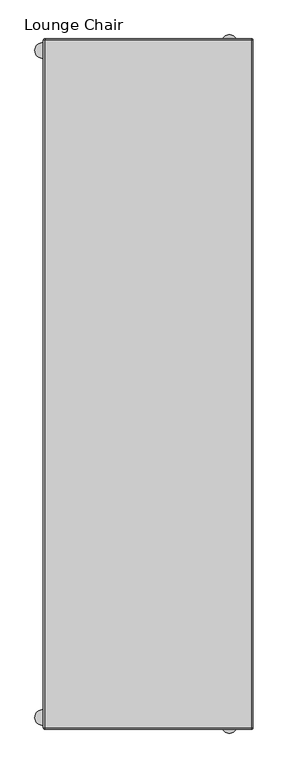
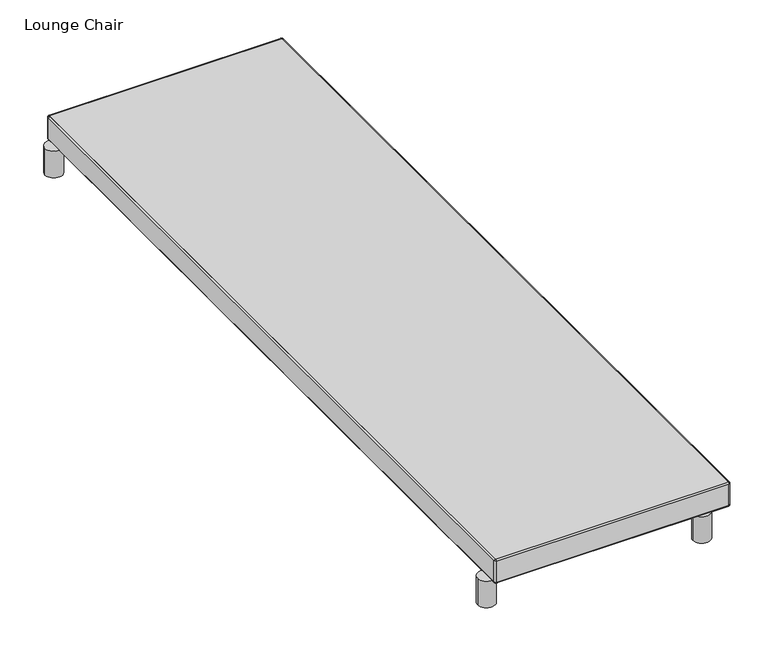
"""IFC4 building model written with IfcOpenShell, lengths in millimetres: furniture geometry, Lounge Chair."""

from ifc_helpers import new_model, si_unit, point, frame, frame_2d, origin, origin_with_axes, place, context, project, spatial, polyline, circle_curve, ellipse_curve, trimmed, segment, composite_curve, outline, extrude, source, transform, mapped, element, save
from ifc_brep_helpers import plane_surface, cylinder_surface, revolved_surface, advanced_brep


def lounge_chair_2a098685(model_context):
    return source(origin(), model_context, "Body", "SolidModel", [
        advanced_brep(
        [(381.6350121, 1120.6249637, 145.9935673), (381.6350121, -1120.6249637, 145.9935673), (381.6350121, -1120.6249637, 81.2235613), (381.6350121, 1120.6249637, 81.2235613), (376.5550121, -1125.7049637, 145.9935673), (376.5550121, -1125.7049637, 81.2235613), (-297.1800061, -1125.7049637, 145.9935673), (-297.1800061, -1125.7049637, 81.2235613), (-302.2600061, -1120.6249637, 145.9935673), (-302.2600061, -1120.6249637, 81.2235613), (-302.2600061, 1120.6249637, 145.9935673), (-302.2600061, 1120.6249637, 81.2235613), (-297.1800061, 1125.7049637, 145.9935673), (-297.1800061, 1125.7049637, 81.2235613), (376.5550121, 1125.7049637, 145.9935673), (376.5550121, 1125.7049637, 81.2235613), (376.5550121, 1125.0699879, 145.9935673), (-297.1800061, 1125.0699879, 145.9935673), (-297.1800061, 1125.0699879, 81.2235613), (376.5550121, 1125.0699879, 81.2235613), (-298.4500061, 1123.7999879, 145.9935673), (-298.4500061, 1123.7999879, 81.2235613), (-298.4500061, 1120.6249637, 145.9935673), (-298.4500061, 1120.6249637, 149.8035673), (-298.4500061, -1120.6249637, 149.8035673), (-298.4500061, -1120.6249637, 145.9935673), (-298.4500061, -1120.6249637, 81.2235613), (-298.4500061, -1120.6249637, 77.4135613), (-298.4500061, 1120.6249637, 77.4135613), (-298.4500061, 1120.6249637, 81.2235613), (-297.1800061, -1121.8949637, 145.9935673), (-297.1800061, -1121.8949637, 81.2235613), (-297.1800061, -1121.8949637, 149.8035673), (376.5550121, -1121.8949637, 149.8035673), (376.5550121, -1121.8949637, 145.9935673), (376.5550121, -1121.8949637, 81.2235613), (376.5550121, -1121.8949637, 77.4135613), (-297.1800061, -1121.8949637, 77.4135613), (377.8250121, -1120.6249637, 145.9935673), (377.8250121, -1120.6249637, 81.2235613), (377.8250121, -1120.6249637, 149.8035673), (377.8250121, 1120.6249637, 149.8035673), (377.8250121, 1120.6249637, 145.9935673), (377.8250121, 1123.7999879, 145.9935673), (377.8250121, 1123.7999879, 81.2235613), (377.8250121, 1120.6249637, 81.2235613), (377.8250121, 1120.6249637, 77.4135613), (377.8250121, -1120.6249637, 77.4135613), (-297.1800061, 1121.8949637, 149.8035673), (-297.1800061, 1121.8949637, 145.9935673), (-297.1800061, 1121.8949637, 77.4135613), (-297.1800061, 1121.8949637, 81.2235613), (376.5550121, 1121.8949637, 149.8035673), (376.5550121, 1121.8949637, 145.9935673), (376.5550121, 1121.8949637, 77.4135613), (376.5550121, 1121.8949637, 81.2235613)],
        [
            (0, 1),
            (1, 2),
            (2, 3),
            (3, 0),
            (1, 4, circle_curve(frame((376.5550121, -1120.6249637, 145.9935673), z_axis=(0.0, 0.0, -1.0), x_axis=(0.0, 1.0, 0.0)), 5.08)),
            (4, 5),
            (5, 2, circle_curve(frame((376.5550121, -1120.6249637, 81.2235613), z_axis=(0.0, 0.0, 1.0), x_axis=(0.0, 1.0, 0.0)), 5.08)),
            (4, 6),
            (6, 7),
            (7, 5),
            (6, 8, circle_curve(frame((-297.1800061, -1120.6249637, 145.9935673), z_axis=(0.0, 0.0, -1.0), x_axis=(0.0, 1.0, 0.0)), 5.08)),
            (8, 9),
            (9, 7, circle_curve(frame((-297.1800061, -1120.6249637, 81.2235613), z_axis=(0.0, 0.0, 1.0), x_axis=(0.0, 1.0, 0.0)), 5.08)),
            (8, 10),
            (10, 11),
            (11, 9),
            (10, 12, circle_curve(frame((-297.1800061, 1120.6249637, 145.9935673), z_axis=(0.0, 0.0, -1.0), x_axis=(0.0, 1.0, 0.0)), 5.08)),
            (12, 13),
            (13, 11, circle_curve(frame((-297.1800061, 1120.6249637, 81.2235613), z_axis=(0.0, 0.0, 1.0), x_axis=(0.0, 1.0, 0.0)), 5.08)),
            (12, 14),
            (14, 15),
            (15, 13),
            (3, 15, circle_curve(frame((376.5550121, 1120.6249637, 81.2235613), z_axis=(0.0, 0.0, 1.0), x_axis=(0.0, 1.0, 0.0)), 5.08)),
            (14, 0, circle_curve(frame((376.5550121, 1120.6249637, 145.9935673), z_axis=(0.0, 0.0, -1.0), x_axis=(0.0, 1.0, 0.0)), 5.08)),
            (16, 17),
            (17, 18),
            (18, 19),
            (19, 16),
            (17, 20, circle_curve(frame((-297.1800061, 1123.7999879, 145.9935673), z_axis=(0.0, 0.0, 1.0), x_axis=(0.0, 1.0, 0.0)), 1.27)),
            (20, 21),
            (21, 18, circle_curve(frame((-297.1800061, 1123.7999879, 81.2235613), z_axis=(0.0, 0.0, -1.0), x_axis=(0.0, 1.0, 0.0)), 1.27)),
            (20, 22),
            (22, 23),
            (23, 24),
            (24, 25),
            (25, 26),
            (26, 27),
            (27, 28),
            (28, 29),
            (29, 21),
            (25, 30, circle_curve(frame((-297.1800061, -1120.6249637, 145.9935673), z_axis=(0.0, 0.0, 1.0), x_axis=(0.0, 1.0, 0.0)), 1.27)),
            (30, 31),
            (31, 26, circle_curve(frame((-297.1800061, -1120.6249637, 81.2235613), z_axis=(0.0, 0.0, -1.0), x_axis=(0.0, 1.0, 0.0)), 1.27)),
            (30, 32),
            (32, 33),
            (33, 34),
            (34, 35),
            (35, 36),
            (36, 37),
            (37, 31),
            (34, 38, circle_curve(frame((376.5550121, -1120.6249637, 145.9935673), z_axis=(0.0, 0.0, 1.0), x_axis=(0.0, 1.0, 0.0)), 1.27)),
            (38, 39),
            (39, 35, circle_curve(frame((376.5550121, -1120.6249637, 81.2235613), z_axis=(0.0, 0.0, -1.0), x_axis=(0.0, 1.0, 0.0)), 1.27)),
            (38, 40),
            (40, 41),
            (41, 42),
            (42, 43),
            (43, 44),
            (44, 45),
            (45, 46),
            (46, 47),
            (47, 39),
            (19, 44, circle_curve(frame((376.5550121, 1123.7999879, 81.2235613), z_axis=(0.0, 0.0, -1.0), x_axis=(0.0, 1.0, 0.0)), 1.27)),
            (43, 16, circle_curve(frame((376.5550121, 1123.7999879, 145.9935673), z_axis=(0.0, 0.0, 1.0), x_axis=(0.0, 1.0, 0.0)), 1.27)),
            (40, 1, circle_curve(frame((377.8250121, -1120.6249637, 145.9935673), z_axis=(0.0, 1.0, 0.0), x_axis=(-1.0, 0.0, 0.0)), 3.81)),
            (0, 41, circle_curve(frame((377.8250121, 1120.6249637, 145.9935673), z_axis=(0.0, -1.0, 0.0), x_axis=(-1.0, 0.0, 0.0)), 3.81)),
            (46, 3, circle_curve(frame((377.8250121, 1120.6249637, 81.2235613), z_axis=(0.0, -1.0, 0.0), x_axis=(-1.0, 0.0, 0.0)), 3.81)),
            (2, 47, circle_curve(frame((377.8250121, -1120.6249637, 81.2235613), z_axis=(0.0, 1.0, 0.0), x_axis=(-1.0, 0.0, 0.0)), 3.81)),
            (32, 6, circle_curve(frame((-297.1800061, -1121.8949637, 145.9935673), z_axis=(1.0, 0.0, 0.0), x_axis=(0.0, 1.0, 0.0)), 3.81)),
            (4, 33, circle_curve(frame((376.5550121, -1121.8949637, 145.9935673), z_axis=(-1.0, 0.0, 0.0), x_axis=(0.0, 1.0, 0.0)), 3.81)),
            (36, 5, circle_curve(frame((376.5550121, -1121.8949637, 81.2235613), z_axis=(-1.0, 0.0, 0.0), x_axis=(0.0, 1.0, 0.0)), 3.81)),
            (7, 37, circle_curve(frame((-297.1800061, -1121.8949637, 81.2235613), z_axis=(1.0, 0.0, 0.0), x_axis=(0.0, 1.0, 0.0)), 3.81)),
            (23, 10, circle_curve(frame((-298.4500061, 1120.6249637, 145.9935673), z_axis=(0.0, -1.0, 0.0), x_axis=(1.0, 0.0, 0.0)), 3.81)),
            (8, 24, circle_curve(frame((-298.4500061, -1120.6249637, 145.9935673), z_axis=(0.0, 1.0, 0.0), x_axis=(1.0, 0.0, 0.0)), 3.81)),
            (27, 9, circle_curve(frame((-298.4500061, -1120.6249637, 81.2235613), z_axis=(0.0, 1.0, 0.0), x_axis=(1.0, 0.0, 0.0)), 3.81)),
            (11, 28, circle_curve(frame((-298.4500061, 1120.6249637, 81.2235613), z_axis=(0.0, -1.0, 0.0), x_axis=(1.0, 0.0, 0.0)), 3.81)),
            (40, 33, circle_curve(frame((376.5550121, -1120.6249637, 149.8035673), z_axis=(0.0, 0.0, -1.0), x_axis=(1.0, 0.0, 0.0)), 1.27)),
            (47, 36, circle_curve(frame((376.5550121, -1120.6249637, 77.4135613), z_axis=(0.0, 0.0, -1.0), x_axis=(1.0, 0.0, 0.0)), 1.27)),
            (32, 24, circle_curve(frame((-297.1800061, -1120.6249637, 149.8035673), z_axis=(0.0, 0.0, -1.0), x_axis=(0.0, -1.0, 0.0)), 1.27)),
            (37, 27, circle_curve(frame((-297.1800061, -1120.6249637, 77.4135613), z_axis=(0.0, 0.0, -1.0), x_axis=(0.0, -1.0, 0.0)), 1.27)),
            (23, 48, circle_curve(frame((-297.1800061, 1120.6249637, 149.8035673), z_axis=(0.0, 0.0, -1.0), x_axis=(-1.0, 0.0, 0.0)), 1.27)),
            (48, 12, circle_curve(frame((-297.1800061, 1121.8949637, 145.9935673), z_axis=(-1.0, 0.0, 0.0), x_axis=(0.0, -1.0, 0.0)), 3.81)),
            (22, 49, circle_curve(frame((-297.1800061, 1120.6249637, 145.9935673), z_axis=(0.0, 0.0, -1.0), x_axis=(-1.0, 0.0, 0.0)), 1.27)),
            (49, 48),
            (28, 50, circle_curve(frame((-297.1800061, 1120.6249637, 77.4135613), z_axis=(0.0, 0.0, -1.0), x_axis=(-1.0, 0.0, 0.0)), 1.27)),
            (50, 51),
            (51, 29, circle_curve(frame((-297.1800061, 1120.6249637, 81.2235613), z_axis=(0.0, 0.0, 1.0), x_axis=(-1.0, 0.0, 0.0)), 1.27)),
            (13, 50, circle_curve(frame((-297.1800061, 1121.8949637, 81.2235613), z_axis=(-1.0, 0.0, 0.0), x_axis=(0.0, -1.0, 0.0)), 3.81)),
            (48, 52),
            (52, 14, circle_curve(frame((376.5550121, 1121.8949637, 145.9935673), z_axis=(-1.0, 0.0, 0.0), x_axis=(0.0, -1.0, 0.0)), 3.81)),
            (49, 53),
            (53, 52),
            (50, 54),
            (54, 55),
            (55, 51),
            (15, 54, circle_curve(frame((376.5550121, 1121.8949637, 81.2235613), z_axis=(-1.0, 0.0, 0.0), x_axis=(0.0, -1.0, 0.0)), 3.81)),
            (42, 53, circle_curve(frame((376.5550121, 1120.6249637, 145.9935673), z_axis=(0.0, 0.0, 1.0), x_axis=(0.0, 1.0, 0.0)), 1.27)),
            (52, 41, circle_curve(frame((376.5550121, 1120.6249637, 149.8035673), z_axis=(0.0, 0.0, -1.0), x_axis=(0.0, 1.0, 0.0)), 1.27)),
            (45, 55, circle_curve(frame((376.5550121, 1120.6249637, 81.2235613), z_axis=(0.0, 0.0, 1.0), x_axis=(0.0, 1.0, 0.0)), 1.27)),
            (54, 46, circle_curve(frame((376.5550121, 1120.6249637, 77.4135613), z_axis=(0.0, 0.0, -1.0), x_axis=(0.0, 1.0, 0.0)), 1.27)),
        ],
        [
            plane_surface(frame((381.6350121, 1120.6249637, 145.9935673), z_axis=(1.0, 0.0, 0.0), x_axis=(0.0, 0.0, -1.0))),
            cylinder_surface(frame((376.5550121, -1120.6249637, 81.2235613), z_axis=(0.0, 0.0, 1.0), x_axis=(0.0, 1.0, 0.0)), 5.08),
            plane_surface(frame((376.5550121, -1125.7049637, 145.9935673), z_axis=(0.0, -1.0, 0.0), x_axis=(0.0, 0.0, -1.0))),
            cylinder_surface(frame((-297.1800061, -1120.6249637, 81.2235613), z_axis=(0.0, 0.0, 1.0), x_axis=(0.0, 1.0, 0.0)), 5.08),
            plane_surface(frame((-302.2600061, -1120.6249637, 145.9935673), z_axis=(-1.0, 0.0, 0.0), x_axis=(0.0, 0.0, -1.0))),
            cylinder_surface(frame((-297.1800061, 1120.6249637, 81.2235613), z_axis=(0.0, 0.0, 1.0), x_axis=(0.0, 1.0, 0.0)), 5.08),
            plane_surface(frame((-297.1800061, 1125.7049637, 145.9935673), z_axis=(0.0, 1.0, 0.0), x_axis=(0.0, 0.0, -1.0))),
            cylinder_surface(frame((376.5550121, 1120.6249637, 81.2235613), z_axis=(0.0, 0.0, 1.0), x_axis=(0.0, 1.0, 0.0)), 5.08),
            plane_surface(frame((376.5550121, 1125.0699879, 145.9935673), z_axis=(0.0, -1.0, 0.0), x_axis=(0.0, 0.0, -1.0))),
            revolved_surface(polyline([(-297.1800061, 1125.0699879, 81.2235613), (-297.1800061, 1125.0699879, 145.9935673)]), (-297.1800061, 1123.7999879, 81.2235613), (0.0, 0.0, -1.0)),
            plane_surface(frame((-298.4500061, 1123.7999879, 145.9935673), z_axis=(1.0, 0.0, 0.0), x_axis=(0.0, 0.0, -1.0))),
            revolved_surface(polyline([(-297.1800061, -1119.3549637, 81.2235613), (-297.1800061, -1119.3549637, 145.9935673)]), (-297.1800061, -1120.6249637, 81.2235613), (0.0, 0.0, -1.0)),
            plane_surface(frame((-297.1800061, -1121.8949637, 145.9935673), z_axis=(0.0, 1.0, 0.0), x_axis=(0.0, 0.0, -1.0))),
            revolved_surface(polyline([(376.5550121, -1119.3549637, 81.2235613), (376.5550121, -1119.3549637, 145.9935673)]), (376.5550121, -1120.6249637, 81.2235613), (0.0, 0.0, -1.0)),
            plane_surface(frame((377.8250121, -1120.6249637, 145.9935673), z_axis=(-1.0, 0.0, 0.0), x_axis=(0.0, 0.0, -1.0))),
            revolved_surface(polyline([(376.5550121, 1125.0699879, 81.2235613), (376.5550121, 1125.0699879, 145.9935673)]), (376.5550121, 1123.7999879, 81.2235613), (0.0, 0.0, -1.0)),
            cylinder_surface(frame((377.8250121, 1120.6249637, 145.9935673), z_axis=(0.0, 1.0, 0.0), x_axis=(-1.0, 0.0, 0.0)), 3.81),
            cylinder_surface(frame((377.8250121, 1120.6249637, 81.2235613), z_axis=(0.0, 1.0, 0.0), x_axis=(-1.0, 0.0, 0.0)), 3.81),
            cylinder_surface(frame((376.5550121, -1121.8949637, 145.9935673), z_axis=(1.0, 0.0, 0.0), x_axis=(0.0, 1.0, 0.0)), 3.81),
            cylinder_surface(frame((376.5550121, -1121.8949637, 81.2235613), z_axis=(1.0, 0.0, 0.0), x_axis=(0.0, 1.0, 0.0)), 3.81),
            cylinder_surface(frame((-298.4500061, -1120.6249637, 145.9935673), z_axis=(0.0, -1.0, 0.0), x_axis=(1.0, 0.0, 0.0)), 3.81),
            cylinder_surface(frame((-298.4500061, -1120.6249637, 81.2235613), z_axis=(0.0, -1.0, 0.0), x_axis=(1.0, 0.0, 0.0)), 3.81),
            revolved_surface(trimmed(ellipse_curve(frame((377.8250121, -1120.6249637, 145.9935673), z_axis=(0.0, -1.0, 0.0), x_axis=(-1.0, 0.0, 0.0)), 3.81, 3.81), [point((381.6350121, -1120.6249637, 145.9935673))], [point((377.8250121, -1120.6249637, 149.8035673))], True, "CARTESIAN"), (376.5550121, -1120.6249637, 148.5335673), (0.0, 0.0, 1.0)),
            revolved_surface(polyline([(377.8250121, -1120.6249637, 149.8035673), (377.8250121, -1120.6249637, 145.9935673)]), (376.5550121, -1120.6249637, 148.5335673), (0.0, 0.0, 1.0)),
            revolved_surface(polyline([(377.8250121, -1120.6249637, 81.2235613), (377.8250121, -1120.6249637, 77.4135613)]), (376.5550121, -1120.6249637, 148.5335673), (0.0, 0.0, 1.0)),
            revolved_surface(trimmed(ellipse_curve(frame((377.8250121, -1120.6249637, 81.2235613), z_axis=(0.0, -1.0, 0.0), x_axis=(-1.0, 0.0, 0.0)), 3.81, 3.81), [point((377.8250121, -1120.6249637, 77.4135613))], [point((381.6350121, -1120.6249637, 81.2235613))], True, "CARTESIAN"), (376.5550121, -1120.6249637, 148.5335673), (0.0, 0.0, 1.0)),
            revolved_surface(trimmed(ellipse_curve(frame((-297.1800061, -1121.8949637, 145.9935673), z_axis=(-1.0, 0.0, 0.0), x_axis=(0.0, 1.0, 0.0)), 3.81, 3.81), [point((-297.1800061, -1125.7049637, 145.9935673))], [point((-297.1800061, -1121.8949637, 149.8035673))], True, "CARTESIAN"), (-297.1800061, -1120.6249637, 148.5335673), (0.0, 0.0, 1.0)),
            revolved_surface(polyline([(-297.1800061, -1121.8949637, 149.8035673), (-297.1800061, -1121.8949637, 145.9935673)]), (-297.1800061, -1120.6249637, 148.5335673), (0.0, 0.0, 1.0)),
            revolved_surface(polyline([(-297.1800061, -1121.8949637, 81.2235613), (-297.1800061, -1121.8949637, 77.4135613)]), (-297.1800061, -1120.6249637, 148.5335673), (0.0, 0.0, 1.0)),
            revolved_surface(trimmed(ellipse_curve(frame((-297.1800061, -1121.8949637, 81.2235613), z_axis=(-1.0, 0.0, 0.0), x_axis=(0.0, 1.0, 0.0)), 3.81, 3.81), [point((-297.1800061, -1121.8949637, 77.4135613))], [point((-297.1800061, -1125.7049637, 81.2235613))], True, "CARTESIAN"), (-297.1800061, -1120.6249637, 148.5335673), (0.0, 0.0, 1.0)),
            revolved_surface(trimmed(ellipse_curve(frame((-298.4500061, 1120.6249637, 145.9935673), z_axis=(0.0, 1.0, 0.0), x_axis=(1.0, 0.0, 0.0)), 3.81, 3.81), [point((-302.2600061, 1120.6249637, 145.9935673))], [point((-298.4500061, 1120.6249637, 149.8035673))], True, "CARTESIAN"), (-297.1800061, 1120.6249637, 148.5335673), (0.0, 0.0, 1.0)),
            revolved_surface(polyline([(-298.4500061, 1120.6249637, 149.8035673), (-298.4500061, 1120.6249637, 145.9935673)]), (-297.1800061, 1120.6249637, 148.5335673), (0.0, 0.0, 1.0)),
            revolved_surface(polyline([(-298.4500061, 1120.6249637, 81.2235613), (-298.4500061, 1120.6249637, 77.4135613)]), (-297.1800061, 1120.6249637, 148.5335673), (0.0, 0.0, 1.0)),
            revolved_surface(trimmed(ellipse_curve(frame((-298.4500061, 1120.6249637, 81.2235613), z_axis=(0.0, 1.0, 0.0), x_axis=(1.0, 0.0, 0.0)), 3.81, 3.81), [point((-298.4500061, 1120.6249637, 77.4135613))], [point((-302.2600061, 1120.6249637, 81.2235613))], True, "CARTESIAN"), (-297.1800061, 1120.6249637, 148.5335673), (0.0, 0.0, 1.0)),
            cylinder_surface(frame((-297.1800061, 1121.8949637, 145.9935673), z_axis=(-1.0, 0.0, 0.0), x_axis=(0.0, -1.0, 0.0)), 3.81),
            plane_surface(frame((-297.1800061, 1121.8949637, 149.8035673), z_axis=(0.0, -1.0, 0.0), x_axis=(1.0, 0.0, 0.0))),
            plane_surface(frame((-297.1800061, 1121.8949637, 81.2235613), z_axis=(0.0, -1.0, 0.0), x_axis=(1.0, 0.0, 0.0))),
            cylinder_surface(frame((-297.1800061, 1121.8949637, 81.2235613), z_axis=(-1.0, 0.0, 0.0), x_axis=(0.0, -1.0, 0.0)), 3.81),
            plane_surface(frame((376.5550121, 1120.6249637, 145.9935673), z_axis=(0.0, 0.0, -1.0), x_axis=(0.0, 1.0, 0.0))),
            revolved_surface(trimmed(ellipse_curve(frame((376.5550121, 1121.8949637, 145.9935673), z_axis=(1.0, 0.0, 0.0), x_axis=(0.0, -1.0, 0.0)), 3.81, 3.81), [point((376.5550121, 1125.7049637, 145.9935673))], [point((376.5550121, 1121.8949637, 149.8035673))], True, "CARTESIAN"), (376.5550121, 1120.6249637, 148.5335673), (0.0, 0.0, 1.0)),
            revolved_surface(polyline([(376.5550121, 1121.8949637, 149.8035673), (376.5550121, 1121.8949637, 145.9935673)]), (376.5550121, 1120.6249637, 148.5335673), (0.0, 0.0, 1.0)),
            revolved_surface(polyline([(376.5550121, 1121.8949637, 81.2235613), (376.5550121, 1121.8949637, 77.4135613)]), (376.5550121, 1120.6249637, 148.5335673), (0.0, 0.0, 1.0)),
            revolved_surface(trimmed(ellipse_curve(frame((376.5550121, 1121.8949637, 81.2235613), z_axis=(1.0, 0.0, 0.0), x_axis=(0.0, -1.0, 0.0)), 3.81, 3.81), [point((376.5550121, 1121.8949637, 77.4135613))], [point((376.5550121, 1125.7049637, 81.2235613))], True, "CARTESIAN"), (376.5550121, 1120.6249637, 148.5335673), (0.0, 0.0, 1.0)),
            plane_surface(frame((376.5550121, 1120.6249637, 81.2235613), z_axis=(0.0, 0.0, 1.0), x_axis=(0.0, 1.0, 0.0))),
        ],
        [
            (0, [[1, 2, 3, 4]]),
            (1, [[5, 6, 7, -2]]),
            (2, [[8, 9, 10, -6]]),
            (3, [[11, 12, 13, -9]]),
            (4, [[14, 15, 16, -12]]),
            (5, [[17, 18, 19, -15]]),
            (6, [[20, 21, 22, -18]]),
            (7, [[23, -21, 24, -4]]),
            (8, [[25, 26, 27, 28]]),
            (9, [[29, 30, 31, -26]]),
            (10, [[32, 33, 34, 35, 36, 37, 38, 39, 40, -30]]),
            (11, [[41, 42, 43, -36]]),
            (12, [[44, 45, 46, 47, 48, 49, 50, -42]]),
            (13, [[51, 52, 53, -47]]),
            (14, [[54, 55, 56, 57, 58, 59, 60, 61, 62, -52]]),
            (15, [[63, -58, 64, -28]]),
            (16, [[-55, 65, -1, 66]]),
            (17, [[67, -3, 68, -61]]),
            (18, [[-45, 69, -8, 70]]),
            (19, [[71, -10, 72, -49]]),
            (20, [[-34, 73, -14, 74]]),
            (21, [[75, -16, 76, -38]]),
            (22, [[77, -70, -5, -65]]),
            (23, [[-51, -46, -77, -54]]),
            (24, [[78, -48, -53, -62]]),
            (25, [[-7, -71, -78, -68]]),
            (26, [[79, -74, -11, -69]]),
            (27, [[-41, -35, -79, -44]]),
            (28, [[80, -37, -43, -50]]),
            (29, [[-13, -75, -80, -72]]),
            (30, [[81, 82, -17, -73]]),
            (31, [[83, 84, -81, -33]]),
            (32, [[85, 86, 87, -39]]),
            (33, [[-19, 88, -85, -76]]),
            (34, [[89, 90, -20, -82]]),
            (35, [[91, 92, -89, -84]]),
            (36, [[93, 94, 95, -86]]),
            (37, [[-22, 96, -93, -88]]),
            (38, [[-32, -29, -25, -64, -57, 97, -91, -83]]),
            (39, [[-24, -90, 98, -66]]),
            (40, [[-98, -92, -97, -56]]),
            (41, [[99, -94, 100, -60]]),
            (42, [[-100, -96, -23, -67]]),
            (43, [[-95, -99, -59, -63, -27, -31, -40, -87]]),
        ],
    ),
        extrude(outline(composite_curve([segment(trimmed(circle_curve(frame_2d((-297.1800061, -1120.6249637)), 1.27), [point((-297.1800061, -1121.8949637))], [point((-298.4500061, -1120.6249637))], False, "CARTESIAN"), True, "CONTINUOUS"), segment(polyline([(-298.4500061, -1120.6249637), (-298.4500061, 1120.6249637)]), True, "CONTINUOUS"), segment(trimmed(circle_curve(frame_2d((-297.1800061, 1120.6249637)), 1.27), [point((-298.4500061, 1120.6249637))], [point((-297.1800061, 1121.8949637))], False, "CARTESIAN"), True, "CONTINUOUS"), segment(polyline([(-297.1800061, 1121.8949637), (376.5550121, 1121.8949637)]), True, "CONTINUOUS"), segment(trimmed(circle_curve(frame_2d((376.5550121, 1120.6249637)), 1.27), [point((376.5550121, 1121.8949637))], [point((377.8250121, 1120.6249637))], False, "CARTESIAN"), True, "CONTINUOUS"), segment(polyline([(377.8250121, 1120.6249637), (377.8250121, -1120.6249637)]), True, "CONTINUOUS"), segment(trimmed(circle_curve(frame_2d((376.5550121, -1120.6249637)), 1.27), [point((377.8250121, -1120.6249637))], [point((376.5550121, -1121.8949637))], False, "CARTESIAN"), True, "CONTINUOUS"), segment(polyline([(376.5550121, -1121.8949637), (-297.1800061, -1121.8949637)]), True, "CONTINUOUS")], self_intersect=False)), frame((0.0, 0.0, 77.4135613), z_axis=(0.0, 0.0, 1.0), x_axis=(1.0, 0.0, 0.0)), (0.0, 0.0, 1.0), 72.3900061),
        extrude(outline(composite_curve([segment(trimmed(circle_curve(frame_2d((-304.7999981, -1086.9699663)), 25.4), [point((-330.1999981, -1086.9699663))], [point((-279.3999981, -1086.9699663))], False, "CARTESIAN"), True, "CONTINUOUS"), segment(trimmed(circle_curve(frame_2d((-304.7999981, -1086.9699663)), 25.4), [point((-279.3999981, -1086.9699663))], [point((-330.1999981, -1086.9699663))], False, "CARTESIAN"), True, "CONTINUOUS")], self_intersect=False)), origin_with_axes(), (0.0, 0.0, 1.0), 81.2235613),
        extrude(outline(composite_curve([segment(trimmed(circle_curve(frame_2d((304.8000061, -1112.3699637)), 25.4), [point((279.4000061, -1112.3699637))], [point((330.2000061, -1112.3699637))], False, "CARTESIAN"), True, "CONTINUOUS"), segment(trimmed(circle_curve(frame_2d((304.8000061, -1112.3699637)), 25.4), [point((330.2000061, -1112.3699637))], [point((279.4000061, -1112.3699637))], False, "CARTESIAN"), True, "CONTINUOUS")], self_intersect=False)), origin_with_axes(), (0.0, 0.0, 1.0), 81.2235613),
        extrude(outline(composite_curve([segment(trimmed(circle_curve(frame_2d((-304.8000121, 1086.9699879)), 25.4), [point((-330.2000121, 1086.9699879))], [point((-279.4000121, 1086.9699879))], False, "CARTESIAN"), True, "CONTINUOUS"), segment(trimmed(circle_curve(frame_2d((-304.8000121, 1086.9699879)), 25.4), [point((-279.4000121, 1086.9699879))], [point((-330.2000121, 1086.9699879))], False, "CARTESIAN"), True, "CONTINUOUS")], self_intersect=False)), origin_with_axes(), (0.0, 0.0, 1.0), 81.2235613),
        extrude(outline(composite_curve([segment(trimmed(circle_curve(frame_2d((304.8000061, 1112.3699637)), 25.4), [point((279.4000061, 1112.3699637))], [point((330.2000061, 1112.3699637))], False, "CARTESIAN"), True, "CONTINUOUS"), segment(trimmed(circle_curve(frame_2d((304.8000061, 1112.3699637)), 25.4), [point((330.2000061, 1112.3699637))], [point((279.4000061, 1112.3699637))], False, "CARTESIAN"), True, "CONTINUOUS")], self_intersect=False)), origin_with_axes(), (0.0, 0.0, 1.0), 81.2235613),
    ])


if __name__ == "__main__":
    model = new_model("IFC4")
    model_context = context("Model", 3, world=origin())
    ifc_project = project(units=[si_unit("LENGTHUNIT", "METRE", prefix="MILLI")], contexts=[model_context])
    site = spatial("IfcSite", under=ifc_project)
    building = spatial("IfcBuilding", under=site)
    placement = place(None, origin())
    lounge_chair_shape = lounge_chair_2a098685(model_context)
    element("IfcFurniture", 1, ObjectType="Lounge Chair", at=placement, inside=building, context=model_context, shape_type="MappedRepresentation", body=[
        mapped(lounge_chair_shape, transform((0.0, 0.0, 0.0), x_axis=(1.0, 0.0, 0.0), y_axis=(0.0, 1.0, 0.0), z_axis=(0.0, 0.0, 1.0))),
    ])
    save(model, "model.ifc")
